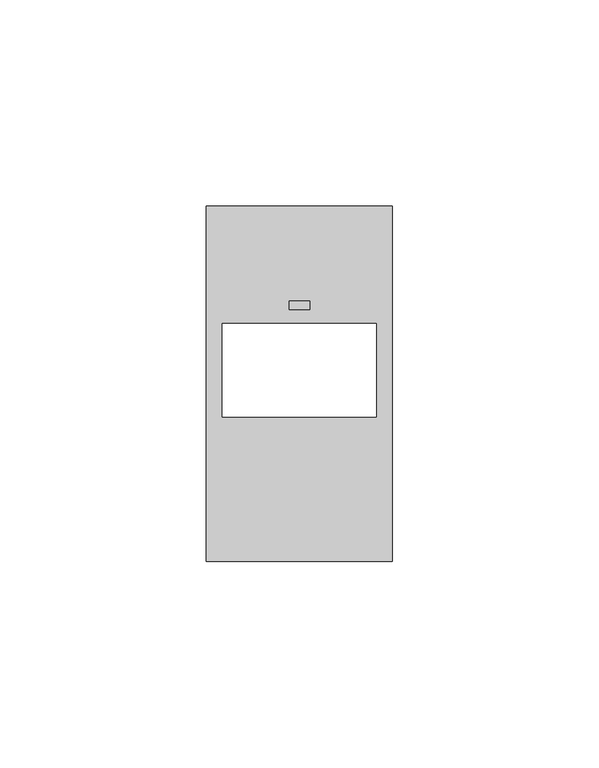
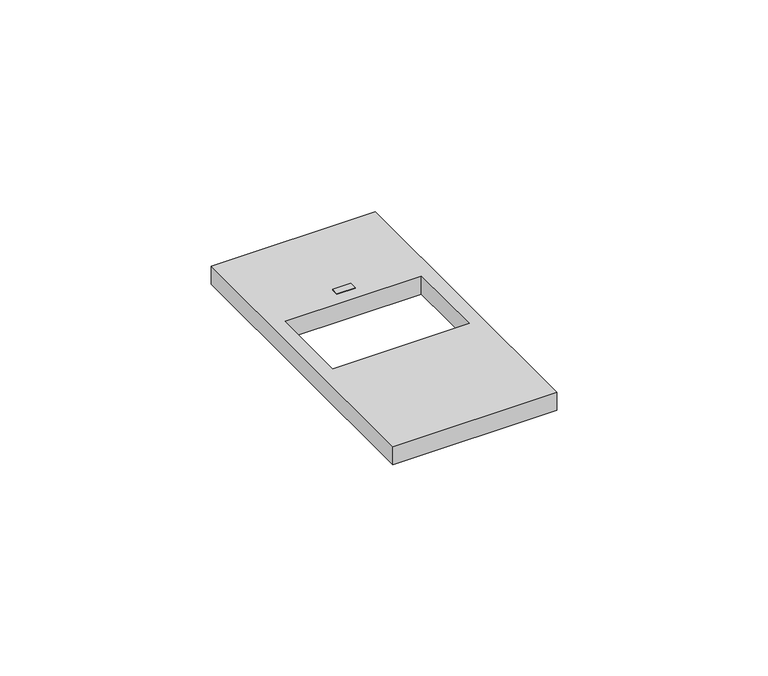
"""IFC4 building model written with IfcOpenShell, lengths in millimetres: proxy geometry."""

from ifc_helpers import new_model, si_unit, frame, origin, place, context, project, spatial, polyline, outline, extrude, source, transform, mapped, element, save


def electrical_fixtures_fd1f22f7(model_context):
    return source(origin(), model_context, "Body", "SweptSolid", [
        extrude(outline(polyline([(25.0091617, 61.0131021), (20.0091617, 61.0131021), (20.0091617, 63.0098551), (25.0091617, 63.0098551), (25.0091617, 61.0131021)])), frame((0.0, 0.0, 10.7), z_axis=(0.0, 0.0, 1.0), x_axis=(1.0, 0.0, 0.0)), (0.0, 0.0, 1.0), 0.2350573),
        extrude(outline(polyline([(0.0, 0.0), (0.0, 86.0), (45.0, 86.0), (45.0, 0.0), (0.0, 0.0)]), holes=[polyline([(41.1581942, 57.5927332), (3.8601293, 57.5927332), (3.8601293, 35.0056652), (41.1581942, 35.0056652), (41.1581942, 57.5927332)])]), frame((0.0, 0.0, 5.5), z_axis=(0.0, 0.0, 1.0), x_axis=(1.0, 0.0, 0.0)), (0.0, 0.0, 1.0), 5.2),
    ])


if __name__ == "__main__":
    model = new_model("IFC4")
    model_context = context("Model", 3, world=origin())
    ifc_project = project(units=[si_unit("LENGTHUNIT", "METRE", prefix="MILLI")], contexts=[model_context])
    site = spatial("IfcSite", under=ifc_project)
    building = spatial("IfcBuilding", under=site)
    placement = place(None, origin())
    electrical_fixtures_shape = electrical_fixtures_fd1f22f7(model_context)
    element("IfcBuildingElementProxy", 1, Name="Electrical Fixtures", at=placement, inside=building, context=model_context, shape_type="MappedRepresentation", body=[
        mapped(electrical_fixtures_shape, transform((0.0, 0.0, 0.0), x_axis=(1.0, 0.0, 0.0), y_axis=(0.0, 1.0, 0.0), z_axis=(0.0, 0.0, 1.0))),
    ])
    save(model, "model.ifc")
